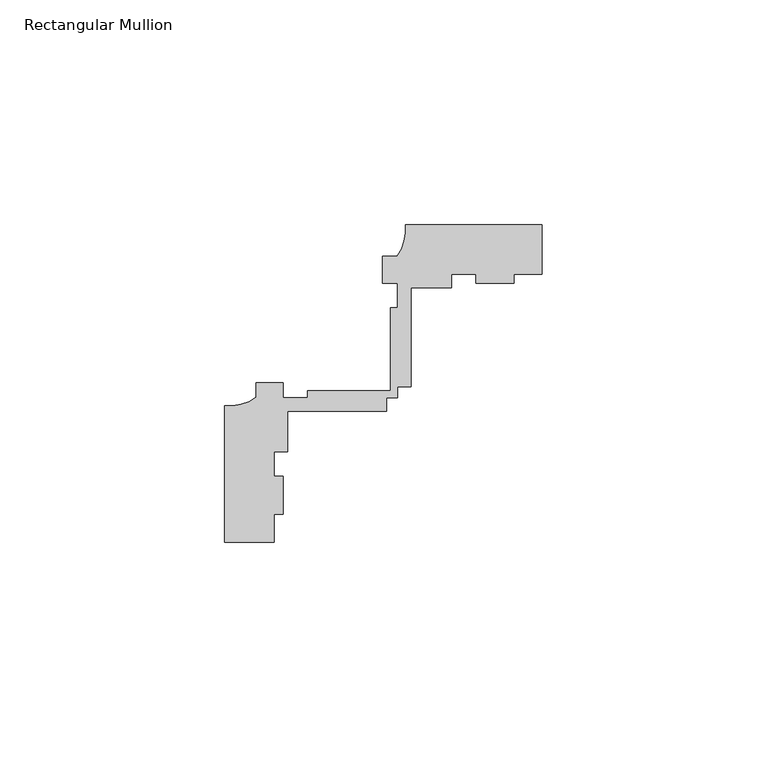
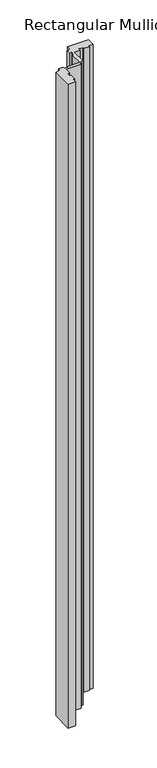
"""IFC4 building model written with IfcOpenShell, lengths in millimetres: member geometry, Rectangular Mullion."""

from ifc_helpers import new_model, si_unit, point, frame, frame_2d, origin, place, context, project, spatial, polyline, circle_curve, trimmed, segment, composite_curve, outline, extrude, source, transform, mapped, element, save


def rectangular_mullion_414650cf(model_context):
    return source(origin(), model_context, "Body", "SweptSolid", [
        extrude(outline(composite_curve([segment(polyline([(-59.6999694, -14.9961656), (-70.6999537, -14.9961656), (-70.6999537, 15.3835857)]), True, "CONTINUOUS"), segment(trimmed(circle_curve(frame_2d((-69.8097713, 25.8020156)), 10.4563907), [point((-70.6999537, 15.3835857))], [point((-63.6999537, 17.3163669))], True, "CARTESIAN"), True, "CONTINUOUS"), segment(polyline([(-63.6999537, 17.3163669), (-63.6999537, 20.5038344), (-57.699937, 20.5038344), (-57.699937, 17.2186203), (-52.2108408, 17.2186203), (-52.2108408, 18.8186203), (-33.8147859, 18.8186203), (-33.8147859, 37.2186203), (-32.2147859, 37.2186203), (-32.2147859, 42.703773), (-35.5, 42.703773), (-35.5, 48.7038038), (-32.3125212, 48.7038038)]), True, "CONTINUOUS"), segment(trimmed(circle_curve(frame_2d((-40.7981812, 54.8136057)), 10.4563907), [point((-32.3125212, 48.7038038))], [point((-30.3797514, 55.703788))], True, "CARTESIAN"), True, "CONTINUOUS"), segment(polyline([(-30.3797514, 55.703788), (0.0, 55.703788), (0.0, 44.7038038), (-6.2499874, 44.7038038), (-6.2499874, 42.703773), (-14.7499877, 42.703773), (-14.7499877, 44.7038038), (-20.2147859, 44.7038038), (-20.2147859, 41.6998587), (-29.2147859, 41.6998587), (-29.2147859, 19.6998587), (-32.2147859, 19.6998587), (-32.2147859, 17.2186203), (-34.6960243, 17.2186203), (-34.6960243, 14.2186203), (-56.6960243, 14.2186203), (-56.6960243, 5.2186203), (-59.6999694, 5.2186203), (-59.6999694, -0.246178), (-57.699937, -0.246178), (-57.699937, -8.7363231), (-59.6999694, -8.7363231), (-59.6999694, -14.9961656)]), True, "CONTINUOUS")], self_intersect=False)), frame((0.0, 0.0, -983.6621216), z_axis=(0.0, 0.0, 1.0), x_axis=(1.0, 0.0, 0.0)), (0.0, 0.0, 1.0), 983.6621216),
    ])


if __name__ == "__main__":
    model = new_model("IFC4")
    model_context = context("Model", 3, world=origin())
    ifc_project = project(units=[si_unit("LENGTHUNIT", "METRE", prefix="MILLI")], contexts=[model_context])
    site = spatial("IfcSite", under=ifc_project)
    building = spatial("IfcBuilding", under=site)
    placement = place(None, origin())
    rectangular_mullion_shape = rectangular_mullion_414650cf(model_context)
    element("IfcMember", 1, ObjectType="Rectangular Mullion", at=placement, inside=building, context=model_context, shape_type="MappedRepresentation", body=[
        mapped(rectangular_mullion_shape, transform((0.0, 0.0, 0.0), x_axis=(1.0, 0.0, 0.0), y_axis=(0.0, 1.0, 0.0), z_axis=(0.0, 0.0, 1.0))),
    ])
    save(model, "model.ifc")
